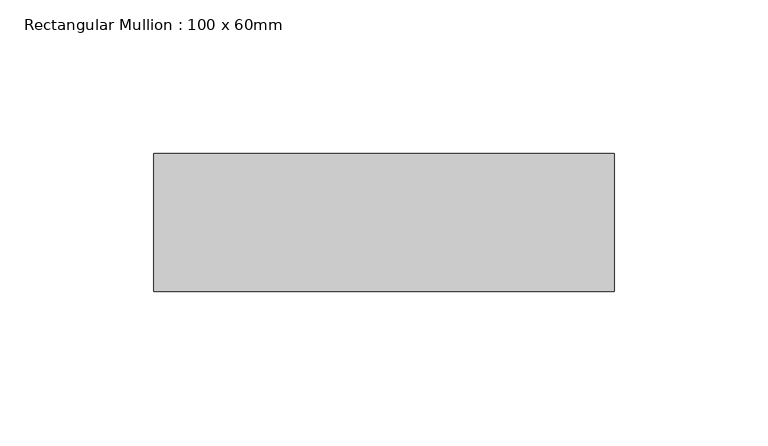
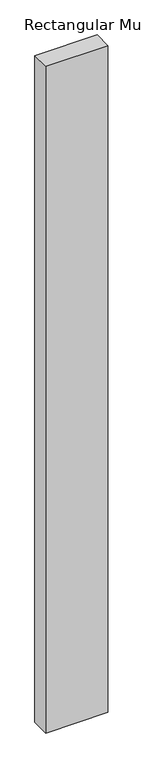
"""IFC4 building model written with IfcOpenShell, lengths in millimetres: member geometry, Rectangular Mullion : 100 x 60mm."""

import ifcopenshell
import ifcopenshell.guid

model = None  # the IFC model being written
_history = None  # IfcOwnerHistory: only IFC2X3 demands one
_inside = {}  # id of a spatial element -> (the spatial element, [elements in it])
_under = {}  # id of a project, library or spatial element -> (it, [spatial elements below it])
_declared = {}  # id of a project -> (the project, [libraries it declares])
_typed = {}  # id of a type object -> (the type object, [elements of that type])
_made_of = {}  # id of a material, layer set ... -> (it, [elements and type objects made of it])


def new_model(schema):
    """Start an empty IFC model of exactly this schema.

    Asked for "IFC4X3", IfcOpenShell would pick the latest addendum, in which some entities
    have other attributes; the version numbers below select the first issue.
    IFC2X3 requires an IfcOwnerHistory on every rooted entity: one is made here for all.
    """
    global model, _history
    if schema == "IFC4X3":
        model = ifcopenshell.file(schema_version=(4, 3, 0, 0))
    else:
        model = ifcopenshell.file(schema=schema)
    _inside.clear()
    _under.clear()
    _declared.clear()
    _typed.clear()
    _made_of.clear()
    _history = None
    if model.schema == "IFC2X3":
        org = make("IfcOrganization", Name="unknown")
        user = make(
            "IfcPersonAndOrganization",
            ThePerson=make("IfcPerson", FamilyName="unknown"),
            TheOrganization=org,
        )
        app = make(
            "IfcApplication",
            ApplicationDeveloper=org,
            Version="unknown",
            ApplicationFullName="unknown",
            ApplicationIdentifier="unknown",
        )
        _history = make(
            "IfcOwnerHistory",
            OwningUser=user,
            OwningApplication=app,
            ChangeAction="ADDED",
            CreationDate=0,
        )
    return model


def make(cls, **values):
    """One entity of the class cls with the attributes given. An attribute that is None is left unset."""
    return model.create_entity(
        cls, **{name: value for name, value in values.items() if value is not None}
    )


def rooted(cls, **values):
    """An entity with a GlobalId (a new one), such as an element, a storey or a relation."""
    return make(cls, GlobalId=ifcopenshell.guid.new(), OwnerHistory=_history, **values)


def si_unit(unit_type, name, prefix=None):
    """IfcSIUnit, for example si_unit("LENGTHUNIT", "METRE", prefix="MILLI")."""
    return make("IfcSIUnit", UnitType=unit_type, Prefix=prefix, Name=name)


def assignment(units):
    """IfcUnitAssignment: the units of a project."""
    return None if units is None else make("IfcUnitAssignment", Units=units)


def point(xyz):
    """IfcCartesianPoint."""
    return None if xyz is None else make("IfcCartesianPoint", Coordinates=xyz)


def direction(xyz):
    """IfcDirection."""
    return None if xyz is None else make("IfcDirection", DirectionRatios=xyz)


def frame(location, z_axis=None, x_axis=None):
    """IfcAxis2Placement3D, a coordinate frame: its origin and axes. An axis left out is left unset."""
    return make(
        "IfcAxis2Placement3D",
        Location=point(location),
        Axis=direction(z_axis),
        RefDirection=direction(x_axis),
    )


def origin():
    """The frame at (0, 0, 0) with its axes left unset."""
    return frame((0.0, 0.0, 0.0))


def place(relative_to, where):
    """IfcLocalPlacement: puts the frame where relative to a parent placement (None: the world)."""
    return make(
        "IfcLocalPlacement", PlacementRelTo=relative_to, RelativePlacement=where
    )


def context(
    kind, dimensions, precision=None, world=None, true_north=None, identifier=None
):
    """IfcGeometricRepresentationContext, for example the 3D "Model" context."""
    return make(
        "IfcGeometricRepresentationContext",
        ContextIdentifier=identifier,
        ContextType=kind,
        CoordinateSpaceDimension=dimensions,
        Precision=precision,
        WorldCoordinateSystem=world,
        TrueNorth=true_north,
    )


def project(units=None, contexts=None):
    """IfcProject with its units and contexts."""
    return rooted(
        "IfcProject",
        Name="project",
        RepresentationContexts=contexts,
        UnitsInContext=assignment(units),
    )


def spatial(cls, under=None, at=None, **own):
    """A site, building, storey or space (cls), placed at a placement, below another one or the project."""
    s = rooted(cls, ObjectPlacement=at, **own)
    if under is not None:
        _under.setdefault(under.id(), (under, []))[1].append(s)
    return s


def polyline(points):
    """IfcPolyline through the points."""
    return make("IfcPolyline", Points=[point(p) for p in points])


def outline(outer, holes=None, kind="AREA"):
    """IfcArbitraryClosedProfileDef: a profile drawn as a closed curve; with holes, ...WithVoids."""
    if holes is None:
        return make("IfcArbitraryClosedProfileDef", ProfileType=kind, OuterCurve=outer)
    return make(
        "IfcArbitraryProfileDefWithVoids",
        ProfileType=kind,
        OuterCurve=outer,
        InnerCurves=holes,
    )


def extrude(swept, where, along, depth):
    """IfcExtrudedAreaSolid: the profile swept, set in the frame where, extruded along a direction by depth."""
    return make(
        "IfcExtrudedAreaSolid",
        SweptArea=swept,
        Position=where,
        ExtrudedDirection=direction(along),
        Depth=depth,
    )


def shape(context_of_items, identifier, shape_type, items):
    """IfcShapeRepresentation: the items that make up one representation, for example the "Body"."""
    return make(
        "IfcShapeRepresentation",
        ContextOfItems=context_of_items,
        RepresentationIdentifier=identifier,
        RepresentationType=shape_type,
        Items=items,
    )


def source(mapping_origin, context_of_items, identifier, shape_type, items):
    """IfcRepresentationMap: a shape defined once, which mapped items show again and again."""
    return make(
        "IfcRepresentationMap",
        MappingOrigin=mapping_origin,
        MappedRepresentation=shape(context_of_items, identifier, shape_type, items),
    )


def transform(
    local_origin,
    x_axis=None,
    y_axis=None,
    z_axis=None,
    scale=None,
    scale2=None,
    scale3=None,
    uniform=True,
):
    """IfcCartesianTransformationOperator3D, or its non-uniform kind. x_axis, y_axis, z_axis: its Axis1, 2, 3."""
    if uniform:
        return make(
            "IfcCartesianTransformationOperator3D",
            Axis1=direction(x_axis),
            Axis2=direction(y_axis),
            LocalOrigin=point(local_origin),
            Scale=scale,
            Axis3=direction(z_axis),
        )
    return make(
        "IfcCartesianTransformationOperator3DnonUniform",
        Axis1=direction(x_axis),
        Axis2=direction(y_axis),
        LocalOrigin=point(local_origin),
        Scale=scale,
        Axis3=direction(z_axis),
        Scale2=scale2,
        Scale3=scale3,
    )


def mapped(mapping_source, mapping_target):
    """IfcMappedItem: shows the shape of a source again, moved by a transform."""
    return make(
        "IfcMappedItem", MappingSource=mapping_source, MappingTarget=mapping_target
    )


def made_of(thing, what):
    """Note that an element or type object is made of a material, layer set ...; save() writes the relation."""
    if what is not None:
        _made_of.setdefault(what.id(), (what, []))[1].append(thing)
    return thing


def element(
    cls,
    number,
    at=None,
    inside=None,
    cuts=None,
    type_object=None,
    material=None,
    context=None,
    identifier="Body",
    shape_type=None,
    held_by="IfcProductDefinitionShape",
    body=None,
    shapes=None,
    **own,
):
    """One element of the class cls, such as IfcWall. Its Tag is "e" and its number.

    at: its placement. inside: the storey or other place that contains it. cuts: it is an
    opening in that element (IfcRelVoidsElement). A single representation is given by context,
    identifier, shape_type and body (its items); several are given by shapes. held_by: the class
    of the entity that holds the representations. save() writes the other relations.
    """
    e = rooted(cls, Tag="e%d" % number, ObjectPlacement=at, **own)
    if body is not None:
        shapes = [shape(context, identifier, shape_type, body)]
    if shapes is not None:
        e.Representation = make(held_by, Representations=shapes)
    if inside is not None:
        _inside.setdefault(inside.id(), (inside, []))[1].append(e)
    if cuts is not None:
        rooted(
            "IfcRelVoidsElement", RelatingBuildingElement=cuts, RelatedOpeningElement=e
        )
    if type_object is not None:
        _typed.setdefault(type_object.id(), (type_object, []))[1].append(e)
    return made_of(e, material)


def aggregate(whole, parts):
    """IfcRelAggregates: a whole, such as a stair, and the parts it consists of."""
    return rooted("IfcRelAggregates", RelatingObject=whole, RelatedObjects=parts)


def save(model, path):
    """Write the relations noted so far, then the file.

    IfcRelAggregates (storeys below a building ...), IfcRelContainedInSpatialStructure (elements
    in a storey), IfcRelDefinesByType, IfcRelAssociatesMaterial and IfcRelDeclares: one each for
    every whole, place, type object, material and project.
    """
    for whole, parts in _under.values():
        aggregate(whole, parts)
    for where, things in _inside.values():
        rooted(
            "IfcRelContainedInSpatialStructure",
            RelatedElements=things,
            RelatingStructure=where,
        )
    for kind, things in _typed.values():
        rooted("IfcRelDefinesByType", RelatedObjects=things, RelatingType=kind)
    for what, things in _made_of.values():
        rooted("IfcRelAssociatesMaterial", RelatedObjects=things, RelatingMaterial=what)
    for by, libraries in _declared.values():
        rooted("IfcRelDeclares", RelatingContext=by, RelatedDefinitions=libraries)
    model.write(path)


def rectangular_mullion_100_x_60mm_1c6f65d0(model_context):
    return source(origin(), model_context, "Body", "SweptSolid", [
        extrude(outline(polyline([(0.0, -30.0), (-150.0, -30.0), (-150.0, 15.0), (0.0, 15.0), (0.0, -30.0)])), frame((0.0, 0.0, -1700.0), z_axis=(0.0, 0.0, 1.0), x_axis=(1.0, 0.0, 0.0)), (0.0, 0.0, 1.0), 1700.0),
    ])


if __name__ == "__main__":
    model = new_model("IFC4")
    model_context = context("Model", 3, world=origin())
    ifc_project = project(units=[si_unit("LENGTHUNIT", "METRE", prefix="MILLI")], contexts=[model_context])
    site = spatial("IfcSite", under=ifc_project)
    building = spatial("IfcBuilding", under=site)
    placement = place(None, origin())
    rectangular_mullion_100_x_60mm_shape = rectangular_mullion_100_x_60mm_1c6f65d0(model_context)
    element("IfcMember", 1, ObjectType="Rectangular Mullion : 100 x 60mm", at=placement, inside=building, context=model_context, shape_type="MappedRepresentation", body=[
        mapped(rectangular_mullion_100_x_60mm_shape, transform((0.0, 0.0, 0.0), x_axis=(1.0, 0.0, 0.0), y_axis=(0.0, 1.0, 0.0), z_axis=(0.0, 0.0, 1.0))),
    ])
    save(model, "model.ifc")
